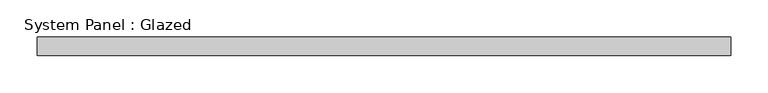
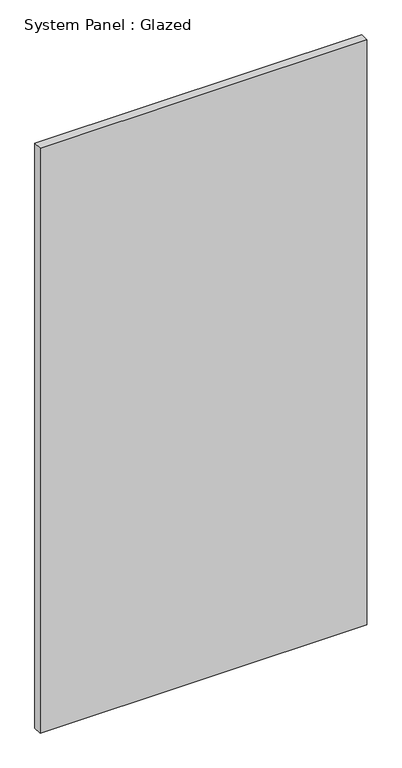
"""IFC4 building model written with IfcOpenShell, lengths in millimetres: plate geometry, System Panel : Glazed."""

from ifc_helpers import new_model, si_unit, origin, origin_with_axes, place, context, project, spatial, polyline, outline, extrude, source, transform, mapped, element, save


def system_panel_glazed_a5c2769f(model_context):
    return source(origin(), model_context, "Body", "SweptSolid", [
        extrude(outline(polyline([(468.25, 19.05), (-468.25, 19.05), (-468.25, 44.45), (468.25, 44.45), (468.25, 19.05)])), origin_with_axes(), (0.0, 0.0, 1.0), 1773.3),
    ])


if __name__ == "__main__":
    model = new_model("IFC4")
    model_context = context("Model", 3, world=origin())
    ifc_project = project(units=[si_unit("LENGTHUNIT", "METRE", prefix="MILLI")], contexts=[model_context])
    site = spatial("IfcSite", under=ifc_project)
    building = spatial("IfcBuilding", under=site)
    placement = place(None, origin())
    system_panel_glazed_shape = system_panel_glazed_a5c2769f(model_context)
    element("IfcPlate", 1, ObjectType="System Panel : Glazed", at=placement, inside=building, context=model_context, shape_type="MappedRepresentation", body=[
        mapped(system_panel_glazed_shape, transform((0.0, 0.0, 0.0), x_axis=(1.0, 0.0, 0.0), y_axis=(0.0, 1.0, 0.0), z_axis=(0.0, 0.0, 1.0))),
    ])
    save(model, "model.ifc")
